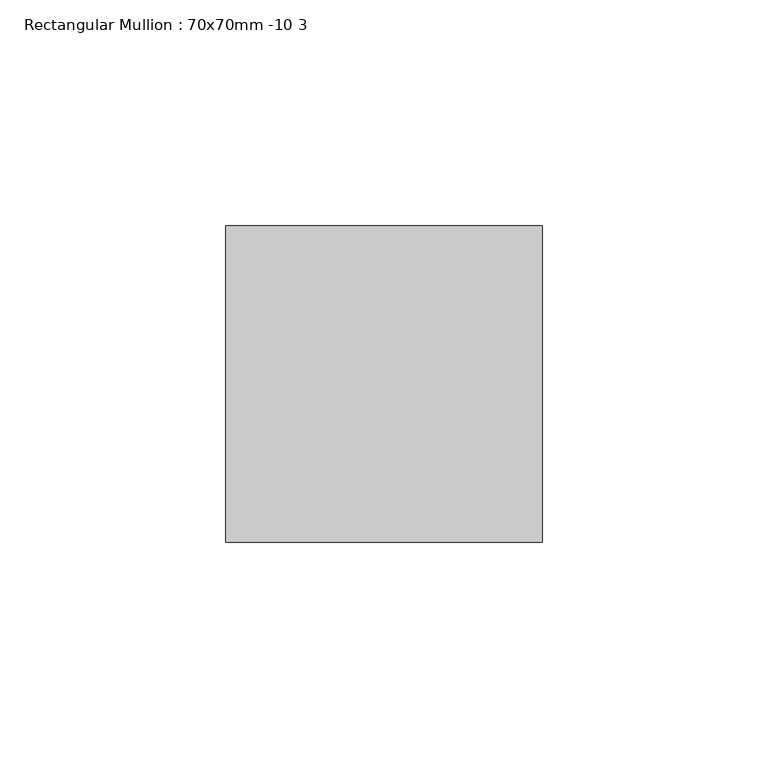
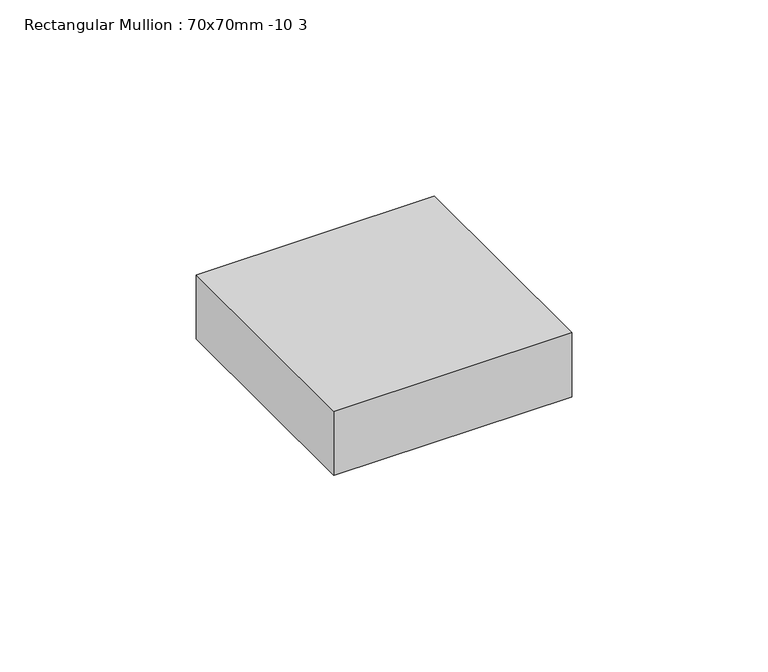
"""IFC4 building model written with IfcOpenShell, lengths in millimetres: member geometry, Rectangular Mullion : 70x70mm -10 3."""

import ifcopenshell
import ifcopenshell.guid

model = None  # the IFC model being written
_history = None  # IfcOwnerHistory: only IFC2X3 demands one
_inside = {}  # id of a spatial element -> (the spatial element, [elements in it])
_under = {}  # id of a project, library or spatial element -> (it, [spatial elements below it])
_declared = {}  # id of a project -> (the project, [libraries it declares])
_typed = {}  # id of a type object -> (the type object, [elements of that type])
_made_of = {}  # id of a material, layer set ... -> (it, [elements and type objects made of it])


def new_model(schema):
    """Start an empty IFC model of exactly this schema.

    Asked for "IFC4X3", IfcOpenShell would pick the latest addendum, in which some entities
    have other attributes; the version numbers below select the first issue.
    IFC2X3 requires an IfcOwnerHistory on every rooted entity: one is made here for all.
    """
    global model, _history
    if schema == "IFC4X3":
        model = ifcopenshell.file(schema_version=(4, 3, 0, 0))
    else:
        model = ifcopenshell.file(schema=schema)
    _inside.clear()
    _under.clear()
    _declared.clear()
    _typed.clear()
    _made_of.clear()
    _history = None
    if model.schema == "IFC2X3":
        org = make("IfcOrganization", Name="unknown")
        user = make(
            "IfcPersonAndOrganization",
            ThePerson=make("IfcPerson", FamilyName="unknown"),
            TheOrganization=org,
        )
        app = make(
            "IfcApplication",
            ApplicationDeveloper=org,
            Version="unknown",
            ApplicationFullName="unknown",
            ApplicationIdentifier="unknown",
        )
        _history = make(
            "IfcOwnerHistory",
            OwningUser=user,
            OwningApplication=app,
            ChangeAction="ADDED",
            CreationDate=0,
        )
    return model


def make(cls, **values):
    """One entity of the class cls with the attributes given. An attribute that is None is left unset."""
    return model.create_entity(
        cls, **{name: value for name, value in values.items() if value is not None}
    )


def rooted(cls, **values):
    """An entity with a GlobalId (a new one), such as an element, a storey or a relation."""
    return make(cls, GlobalId=ifcopenshell.guid.new(), OwnerHistory=_history, **values)


def si_unit(unit_type, name, prefix=None):
    """IfcSIUnit, for example si_unit("LENGTHUNIT", "METRE", prefix="MILLI")."""
    return make("IfcSIUnit", UnitType=unit_type, Prefix=prefix, Name=name)


def assignment(units):
    """IfcUnitAssignment: the units of a project."""
    return None if units is None else make("IfcUnitAssignment", Units=units)


def point(xyz):
    """IfcCartesianPoint."""
    return None if xyz is None else make("IfcCartesianPoint", Coordinates=xyz)


def direction(xyz):
    """IfcDirection."""
    return None if xyz is None else make("IfcDirection", DirectionRatios=xyz)


def frame(location, z_axis=None, x_axis=None):
    """IfcAxis2Placement3D, a coordinate frame: its origin and axes. An axis left out is left unset."""
    return make(
        "IfcAxis2Placement3D",
        Location=point(location),
        Axis=direction(z_axis),
        RefDirection=direction(x_axis),
    )


def origin():
    """The frame at (0, 0, 0) with its axes left unset."""
    return frame((0.0, 0.0, 0.0))


def place(relative_to, where):
    """IfcLocalPlacement: puts the frame where relative to a parent placement (None: the world)."""
    return make(
        "IfcLocalPlacement", PlacementRelTo=relative_to, RelativePlacement=where
    )


def context(
    kind, dimensions, precision=None, world=None, true_north=None, identifier=None
):
    """IfcGeometricRepresentationContext, for example the 3D "Model" context."""
    return make(
        "IfcGeometricRepresentationContext",
        ContextIdentifier=identifier,
        ContextType=kind,
        CoordinateSpaceDimension=dimensions,
        Precision=precision,
        WorldCoordinateSystem=world,
        TrueNorth=true_north,
    )


def project(units=None, contexts=None):
    """IfcProject with its units and contexts."""
    return rooted(
        "IfcProject",
        Name="project",
        RepresentationContexts=contexts,
        UnitsInContext=assignment(units),
    )


def spatial(cls, under=None, at=None, **own):
    """A site, building, storey or space (cls), placed at a placement, below another one or the project."""
    s = rooted(cls, ObjectPlacement=at, **own)
    if under is not None:
        _under.setdefault(under.id(), (under, []))[1].append(s)
    return s


def polyline(points):
    """IfcPolyline through the points."""
    return make("IfcPolyline", Points=[point(p) for p in points])


def outline(outer, holes=None, kind="AREA"):
    """IfcArbitraryClosedProfileDef: a profile drawn as a closed curve; with holes, ...WithVoids."""
    if holes is None:
        return make("IfcArbitraryClosedProfileDef", ProfileType=kind, OuterCurve=outer)
    return make(
        "IfcArbitraryProfileDefWithVoids",
        ProfileType=kind,
        OuterCurve=outer,
        InnerCurves=holes,
    )


def extrude(swept, where, along, depth):
    """IfcExtrudedAreaSolid: the profile swept, set in the frame where, extruded along a direction by depth."""
    return make(
        "IfcExtrudedAreaSolid",
        SweptArea=swept,
        Position=where,
        ExtrudedDirection=direction(along),
        Depth=depth,
    )


def shape(context_of_items, identifier, shape_type, items):
    """IfcShapeRepresentation: the items that make up one representation, for example the "Body"."""
    return make(
        "IfcShapeRepresentation",
        ContextOfItems=context_of_items,
        RepresentationIdentifier=identifier,
        RepresentationType=shape_type,
        Items=items,
    )


def source(mapping_origin, context_of_items, identifier, shape_type, items):
    """IfcRepresentationMap: a shape defined once, which mapped items show again and again."""
    return make(
        "IfcRepresentationMap",
        MappingOrigin=mapping_origin,
        MappedRepresentation=shape(context_of_items, identifier, shape_type, items),
    )


def transform(
    local_origin,
    x_axis=None,
    y_axis=None,
    z_axis=None,
    scale=None,
    scale2=None,
    scale3=None,
    uniform=True,
):
    """IfcCartesianTransformationOperator3D, or its non-uniform kind. x_axis, y_axis, z_axis: its Axis1, 2, 3."""
    if uniform:
        return make(
            "IfcCartesianTransformationOperator3D",
            Axis1=direction(x_axis),
            Axis2=direction(y_axis),
            LocalOrigin=point(local_origin),
            Scale=scale,
            Axis3=direction(z_axis),
        )
    return make(
        "IfcCartesianTransformationOperator3DnonUniform",
        Axis1=direction(x_axis),
        Axis2=direction(y_axis),
        LocalOrigin=point(local_origin),
        Scale=scale,
        Axis3=direction(z_axis),
        Scale2=scale2,
        Scale3=scale3,
    )


def mapped(mapping_source, mapping_target):
    """IfcMappedItem: shows the shape of a source again, moved by a transform."""
    return make(
        "IfcMappedItem", MappingSource=mapping_source, MappingTarget=mapping_target
    )


def made_of(thing, what):
    """Note that an element or type object is made of a material, layer set ...; save() writes the relation."""
    if what is not None:
        _made_of.setdefault(what.id(), (what, []))[1].append(thing)
    return thing


def element(
    cls,
    number,
    at=None,
    inside=None,
    cuts=None,
    type_object=None,
    material=None,
    context=None,
    identifier="Body",
    shape_type=None,
    held_by="IfcProductDefinitionShape",
    body=None,
    shapes=None,
    **own,
):
    """One element of the class cls, such as IfcWall. Its Tag is "e" and its number.

    at: its placement. inside: the storey or other place that contains it. cuts: it is an
    opening in that element (IfcRelVoidsElement). A single representation is given by context,
    identifier, shape_type and body (its items); several are given by shapes. held_by: the class
    of the entity that holds the representations. save() writes the other relations.
    """
    e = rooted(cls, Tag="e%d" % number, ObjectPlacement=at, **own)
    if body is not None:
        shapes = [shape(context, identifier, shape_type, body)]
    if shapes is not None:
        e.Representation = make(held_by, Representations=shapes)
    if inside is not None:
        _inside.setdefault(inside.id(), (inside, []))[1].append(e)
    if cuts is not None:
        rooted(
            "IfcRelVoidsElement", RelatingBuildingElement=cuts, RelatedOpeningElement=e
        )
    if type_object is not None:
        _typed.setdefault(type_object.id(), (type_object, []))[1].append(e)
    return made_of(e, material)


def aggregate(whole, parts):
    """IfcRelAggregates: a whole, such as a stair, and the parts it consists of."""
    return rooted("IfcRelAggregates", RelatingObject=whole, RelatedObjects=parts)


def save(model, path):
    """Write the relations noted so far, then the file.

    IfcRelAggregates (storeys below a building ...), IfcRelContainedInSpatialStructure (elements
    in a storey), IfcRelDefinesByType, IfcRelAssociatesMaterial and IfcRelDeclares: one each for
    every whole, place, type object, material and project.
    """
    for whole, parts in _under.values():
        aggregate(whole, parts)
    for where, things in _inside.values():
        rooted(
            "IfcRelContainedInSpatialStructure",
            RelatedElements=things,
            RelatingStructure=where,
        )
    for kind, things in _typed.values():
        rooted("IfcRelDefinesByType", RelatedObjects=things, RelatingType=kind)
    for what, things in _made_of.values():
        rooted("IfcRelAssociatesMaterial", RelatedObjects=things, RelatingMaterial=what)
    for by, libraries in _declared.values():
        rooted("IfcRelDeclares", RelatingContext=by, RelatedDefinitions=libraries)
    model.write(path)


def rectangular_mullion_70x70mm_10_3_c583eba6(model_context):
    return source(origin(), model_context, "Body", "SweptSolid", [
        extrude(outline(polyline([(35.0, 45.0), (35.0, -25.0), (-35.0, -25.0), (-35.0, 45.0), (35.0, 45.0)])), frame((0.0, 0.0, -20.0), z_axis=(0.0, 0.0, 1.0), x_axis=(1.0, 0.0, 0.0)), (0.0, 0.0, 1.0), 20.0),
    ])


if __name__ == "__main__":
    model = new_model("IFC4")
    model_context = context("Model", 3, world=origin())
    ifc_project = project(units=[si_unit("LENGTHUNIT", "METRE", prefix="MILLI")], contexts=[model_context])
    site = spatial("IfcSite", under=ifc_project)
    building = spatial("IfcBuilding", under=site)
    placement = place(None, origin())
    rectangular_mullion_70x70mm_10_3_shape = rectangular_mullion_70x70mm_10_3_c583eba6(model_context)
    element("IfcMember", 1, ObjectType="Rectangular Mullion : 70x70mm -10 3", at=placement, inside=building, context=model_context, shape_type="MappedRepresentation", body=[
        mapped(rectangular_mullion_70x70mm_10_3_shape, transform((0.0, 0.0, 0.0), x_axis=(1.0, 0.0, 0.0), y_axis=(0.0, 1.0, 0.0), z_axis=(0.0, 0.0, 1.0))),
    ])
    save(model, "model.ifc")
